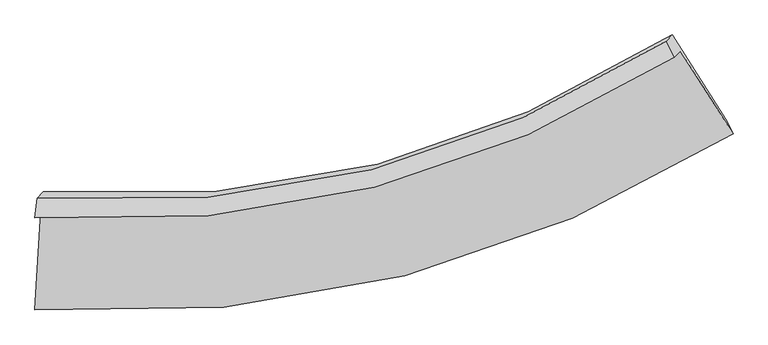
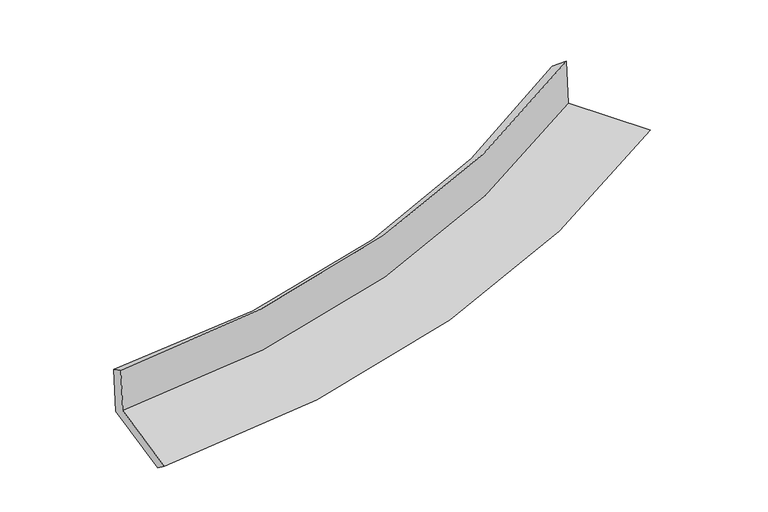
"""IFC4 building model written with IfcOpenShell, lengths in millimetres: proxy geometry."""

from ifc_helpers import new_model, si_unit, frame, origin, place, context, project, spatial, source, transform, mapped, element, save
from ifc_brep_helpers import plane_surface, spline_curve, spline_surface, advanced_brep


def generic_models_5373f337(model_context):
    return source(origin(), model_context, "Body", "AdvancedBrep", [
        advanced_brep(
        [(-2302.012067, -1962.4265523, 2027.4423581), (-2263.0430233, -1921.7422147, 1632.1348575), (2094.9235942, -827.6935621, 2162.5362744), (2054.3034842, -870.1016407, 2574.5924255), (-2285.6192704, -1829.8149655, 1946.4708835), (1999.7017686, -759.6493787, 2482.8694152), (-2245.3606711, -1787.78431, 1538.081947), (2039.7124235, -717.8775814, 2076.9956619), (-2284.4678184, -2465.2415086, 1464.5041235), (2404.5500787, -1290.961242, 2053.9802762), (-2301.6381994, -2590.3304816, 1559.5202782), (2454.003969, -1391.7337393, 2139.8840804)],
        [
            (0, 1),
            (1, 2, spline_curve(3, [(-2263.0430233, -1921.7422147, 1632.1348575), (-1459.64497225, -1974.099425969, 1706.802365885), (-688.528688956, -1905.141129404, 1789.315338747), (761.780238608, -1531.63963318, 1966.686109996), (1443.319494337, -1235.915045557, 2060.973609391), (2094.9235942, -827.6935621, 2162.5362744)], [4, 2, 4], [0.0, 7.67602378459708, 15.067793370597478])),
            (2, 3),
            (3, 0, spline_curve(3, [(2054.3034842, -870.1016407, 2574.5924255), (1403.002350304, -1278.006822451, 2469.956429258), (721.749882066, -1573.43199902, 2372.759717955), (-728.007421619, -1946.357591122, 2189.79319768), (-1498.860137162, -2015.04071821, 2104.60655335), (-2302.012067, -1962.4265523, 2027.4423581)], [4, 2, 4], [0.0, 7.3917695860003985, 15.067793370597478])),
            (4, 0),
            (3, 5),
            (5, 4, spline_curve(3, [(1999.7017686, -759.6493787, 2482.8694152), (1361.643560437, -1165.476867846, 2371.011042273), (692.832564801, -1458.066005491, 2270.997492879), (-733.197075753, -1823.664602352, 2091.269468644), (-1492.826426543, -1887.797326843, 2012.483507394), (-2285.6192704, -1829.8149655, 1946.4708835)], [4, 2, 4], [0.0, 7.3334931869379, 14.948999524382454])),
            (6, 4),
            (5, 7),
            (7, 6, spline_curve(3, [(2039.7124235, -717.8775814, 2076.9956619), (1400.658641243, -1124.744466514, 1975.236533334), (731.360357802, -1417.842341023, 1880.166102289), (-694.626479266, -1783.396250185, 1700.003871316), (-1453.685894045, -1846.933951863, 1615.436397554), (-2245.3606711, -1787.78431, 1538.081947)], [4, 2, 4], [0.0, 7.27525642934901, 14.830286485547358])),
            (8, 6),
            (7, 9),
            (9, 8, spline_curve(3, [(2404.5500787, -1290.961242, 2053.9802762), (1699.868188921, -1728.292446912, 1942.616257207), (964.732838349, -2045.282558659, 1838.59672338), (-595.885885836, -2446.142831346, 1641.528939662), (-1423.756500959, -2520.579475493, 1549.056422374), (-2284.4678184, -2465.2415086, 1464.5041235)], [4, 2, 4], [0.0, 7.613961787686906, 15.52072228628111])),
            (10, 8),
            (9, 11),
            (11, 10, spline_curve(3, [(2454.003969, -1391.7337393, 2139.8840804), (1739.551681377, -1836.309414376, 2028.384391885), (994.094451962, -2158.940733461, 1925.026725926), (-588.689132138, -2568.032177747, 1730.933873245), (-1428.445958948, -2644.933105916, 1640.836938706), (-2301.6381994, -2590.3304816, 1559.5202782)], [4, 2, 4], [0.0, 8.009442230784664, 16.326891570831783])),
            (1, 10),
            (11, 2),
        ],
        [
            spline_surface(3, 3, [[(-2302.012067, -1962.4265523, 2027.4423581), (-1498.860137135, -2015.04071816, 2104.606553446), (-728.007421684, -1946.357591031, 2189.793197795), (721.749882128, -1573.431999108, 2372.759717845), (1403.002350424, -1278.006822368, 2469.956429282), (2054.3034842, -870.1016407, 2574.5924255)], [(-2289.022385793, -1948.865106437, 1895.673191255), (-1485.788415575, -2001.393620787, 1972.005157633), (-714.847844107, -1932.618770498, 2056.300578104), (735.093334267, -1559.501210438, 2237.401848546), (1416.441398358, -1263.976230078, 2333.628822686), (2067.843520843, -855.965614497, 2437.240375128)], [(-2276.032704507, -1935.303660563, 1763.904024345), (-1472.716693936, -1987.746523402, 1839.403761754), (-701.688266498, -1918.879949993, 1922.807958449), (748.436786437, -1545.570421796, 2102.043979285), (1429.880446363, -1249.945637796, 2197.301216107), (2081.383557557, -841.829588303, 2299.888324772)], [(-2263.0430233, -1921.7422147, 1632.1348575), (-1459.644972376, -1974.09942603, 1706.802365941), (-688.528688922, -1905.141129461, 1789.315338758), (761.780238575, -1531.639633125, 1966.686109986), (1443.319494297, -1235.915045506, 2060.97360951), (2094.9235942, -827.6935621, 2162.5362744)]], [4, 4], [4, 2, 4], [0.0, 1.3361022454653753], [0.0, 7.67602378459708, 15.067793370597478]),
            spline_surface(3, 3, [[(-2285.6192704, -1829.8149655, 1946.4708835), (-1492.826426642, -1887.797326969, 2012.483507474), (-733.197075822, -1823.664602404, 2091.269468643), (692.832564867, -1458.06600544, 2270.997492879), (1361.643560366, -1165.476867727, 2371.011042259), (1999.7017686, -759.6493787, 2482.8694152)], [(-2291.08353591, -1874.018827754, 1973.46137504), (-1494.83766345, -1930.211790687, 2043.191189471), (-731.467191119, -1864.562265282, 2124.110711711), (702.471670612, -1496.521336666, 2304.918234551), (1375.429823728, -1202.98685259, 2403.992837937), (2017.902340476, -796.466799349, 2513.443751971)], [(-2296.54780149, -1918.222690046, 2000.45186656), (-1496.848900327, -1972.626254442, 2073.898871449), (-729.737306387, -1905.459928153, 2156.951954728), (712.110776384, -1534.976667883, 2338.838976173), (1389.216087062, -1240.496837505, 2436.974633603), (2036.102912324, -833.284220051, 2544.018088729)], [(-2302.012067, -1962.4265523, 2027.4423581), (-1498.860137135, -2015.04071816, 2104.606553446), (-728.007421684, -1946.357591031, 2189.793197795), (721.749882128, -1573.431999108, 2372.759717845), (1403.002350424, -1278.006822368, 2469.956429282), (2054.3034842, -870.1016407, 2574.5924255)]], [4, 4], [4, 2, 4], [0.0, 0.5134523263407632], [0.0, 7.615506337444555, 14.948999524382454]),
            spline_surface(3, 3, [[(-2245.3606711, -1787.78431, 1538.081947), (-1453.685893993, -1846.933951875, 1615.436397511), (-694.626479237, -1783.396250206, 1700.003871402), (731.360357775, -1417.842341003, 1880.166102206), (1400.658641207, -1124.744466505, 1975.236533288), (2039.7124235, -717.8775814, 2076.9956619)], [(-2258.780204212, -1801.794528488, 1674.211592477), (-1466.732738221, -1860.555076894, 1747.785434143), (-707.48334476, -1796.819034258, 1830.425737121), (718.517760144, -1431.250229135, 2010.443232402), (1387.653614249, -1138.321933589, 2107.161369601), (2026.375538522, -731.801513844, 2212.28691299)], [(-2272.199737288, -1815.804747012, 1810.341238023), (-1479.779582414, -1874.17620195, 1880.134470842), (-720.340210299, -1810.241818352, 1960.847602925), (705.675162497, -1444.658117309, 2140.720362683), (1374.648587324, -1151.899400642, 2239.086205945), (2013.038653578, -745.725446256, 2347.57816411)], [(-2285.6192704, -1829.8149655, 1946.4708835), (-1492.826426642, -1887.797326969, 2012.483507474), (-733.197075822, -1823.664602404, 2091.269468643), (692.832564867, -1458.06600544, 2270.997492879), (1361.643560366, -1165.476867727, 2371.011042259), (1999.7017686, -759.6493787, 2482.8694152)]], [4, 4], [4, 2, 4], [0.0, 1.2959766360409137], [0.0, 7.555030056198348, 14.830286485547358]),
            spline_surface(3, 3, [[(-2284.4678184, -2465.2415086, 1464.5041235), (-1423.756500863, -2520.579475428, 1549.056422334), (-595.885885837, -2446.142831477, 1641.528939613), (964.732838351, -2045.282558532, 1838.596723427), (1699.86818901, -1728.292446942, 1942.616257097), (2404.5500787, -1290.961242, 2053.9802762)], [(-2271.432102625, -2239.422442408, 1489.030064663), (-1433.732965232, -2296.030967585, 1571.183080723), (-628.799416961, -2225.227304387, 1661.020583566), (886.942011502, -1836.135819356, 1852.453183043), (1600.131673082, -1527.109786784, 1953.489682512), (2282.937526973, -1099.933355121, 2061.652071451)], [(-2258.396386875, -2013.603376192, 1513.556005837), (-1443.709429624, -2071.482459718, 1593.309739123), (-661.712948113, -2004.311777296, 1680.512227449), (809.151184624, -1626.989080179, 1866.309642589), (1500.395157135, -1325.927126663, 1964.363107873), (2161.324975227, -908.905468279, 2069.323866649)], [(-2245.3606711, -1787.78431, 1538.081947), (-1453.685893993, -1846.933951875, 1615.436397511), (-694.626479237, -1783.396250206, 1700.003871402), (731.360357775, -1417.842341003, 1880.166102206), (1400.658641207, -1124.744466505, 1975.236533288), (2039.7124235, -717.8775814, 2076.9956619)]], [4, 4], [4, 2, 4], [0.0, 2.191708231397509], [0.0, 7.906760498594204, 15.52072228628111]),
            spline_surface(3, 3, [[(-2301.6381994, -2590.3304816, 1559.5202782), (-1428.445958848, -2644.933106034, 1640.836938686), (-588.689132148, -2568.032177762, 1730.933873363), (994.094451972, -2158.940733446, 1925.026725812), (1739.551681408, -1836.309414284, 2028.384391889), (2454.003969, -1391.7337393, 2139.8840804)], [(-2295.914739073, -2548.634157281, 1527.848226641), (-1426.882806192, -2603.481895847, 1610.243433243), (-591.08805003, -2527.402395688, 1701.13222877), (984.307247446, -2121.054675162, 1896.216725007), (1726.323850612, -1800.303758522, 1999.795013619), (2437.519338903, -1358.142906885, 2111.249478994)], [(-2290.191278727, -2506.937832919, 1496.176175059), (-1425.319653518, -2562.030685616, 1579.649927777), (-593.486967955, -2486.772613552, 1671.330584206), (974.520042877, -2083.168616816, 1867.406724232), (1713.096019807, -1764.298102704, 1971.205635368), (2421.034708797, -1324.552074415, 2082.614877606)], [(-2284.4678184, -2465.2415086, 1464.5041235), (-1423.756500863, -2520.579475428, 1549.056422334), (-595.885885837, -2446.142831477, 1641.528939613), (964.732838351, -2045.282558532, 1838.596723427), (1699.86818901, -1728.292446942, 1942.616257097), (2404.5500787, -1290.961242, 2053.9802762)]], [4, 4], [4, 2, 4], [0.0, 0.48624374670266896], [0.0, 8.31744934004712, 16.326891570831783]),
            spline_surface(3, 3, [[(-2263.0430233, -1921.7422147, 1632.1348575), (-1459.644972376, -1974.09942603, 1706.802365941), (-688.528688922, -1905.141129461, 1789.315338758), (761.780238575, -1531.639633125, 1966.686109986), (1443.319494297, -1235.915045506, 2060.97360951), (2094.9235942, -827.6935621, 2162.5362744)], [(-2275.908081987, -2144.604970332, 1607.929997723), (-1449.245301186, -2197.710652696, 1684.813890179), (-655.248836673, -2126.104812228, 1769.854850303), (839.218309698, -1740.739999899, 1952.799648605), (1542.063556683, -1436.046501769, 2050.11053697), (2214.617052483, -1015.706954504, 2154.985543067)], [(-2288.773140713, -2367.467725968, 1583.725137977), (-1438.845630037, -2421.321879368, 1662.825414447), (-621.968984396, -2347.068494996, 1750.394361818), (916.656380849, -1949.840366673, 1938.913187193), (1640.807619021, -1636.177958021, 2039.247464429), (2334.310510717, -1203.720346896, 2147.434811733)], [(-2301.6381994, -2590.3304816, 1559.5202782), (-1428.445958848, -2644.933106034, 1640.836938686), (-588.689132148, -2568.032177762, 1730.933873363), (994.094451972, -2158.940733446, 1925.026725812), (1739.551681408, -1836.309414284, 2028.384391889), (2454.003969, -1391.7337393, 2139.8840804)]], [4, 4], [4, 2, 4], [0.0, 2.191770489340414], [0.0, 8.025744603721051, 15.754284344026985]),
            plane_surface(frame((2174.532553, -976.3361907, 2248.4763556), z_axis=(0.8380956806591096, 0.5280495513140114, 0.1369645991401249), x_axis=(-0.5367226829318863, 0.843079094260354, 0.03385856534968701))),
            plane_surface(frame((-2280.3568416, -2092.8900054, 1694.692408), z_axis=(-0.9935758325733461, 0.06724168859190575, -0.09102538240233449), x_axis=(-0.09759298994774863, -0.10188872449002102, 0.9899971192558367))),
        ],
        [
            (0, [[1, 2, 3, 4]]),
            (1, [[5, -4, 6, 7]]),
            (2, [[8, -7, 9, 10]]),
            (3, [[11, -10, 12, 13]]),
            (4, [[14, -13, 15, 16]]),
            (5, [[17, -16, 18, -2]]),
            (6, [[-12, -9, -6, -3, -18, -15]]),
            (7, [[-1, -5, -8, -11, -14, -17]]),
        ],
    ),
    ])


if __name__ == "__main__":
    model = new_model("IFC4")
    model_context = context("Model", 3, world=origin())
    ifc_project = project(units=[si_unit("LENGTHUNIT", "METRE", prefix="MILLI")], contexts=[model_context])
    site = spatial("IfcSite", under=ifc_project)
    building = spatial("IfcBuilding", under=site)
    placement = place(None, origin())
    generic_models_shape = generic_models_5373f337(model_context)
    element("IfcBuildingElementProxy", 1, Name="Generic Models", at=placement, inside=building, context=model_context, shape_type="MappedRepresentation", body=[
        mapped(generic_models_shape, transform((0.0, 0.0, 0.0), x_axis=(1.0, 0.0, 0.0), y_axis=(0.0, 1.0, 0.0), z_axis=(0.0, 0.0, 1.0))),
    ])
    save(model, "model.ifc")
